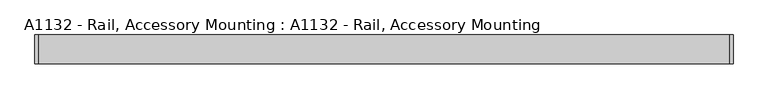
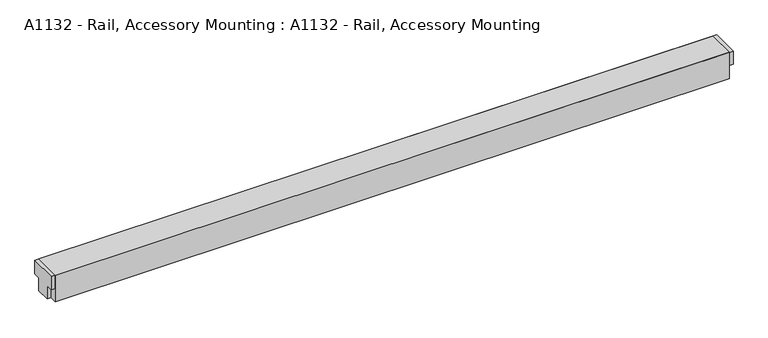
"""IFC4 building model written with IfcOpenShell, lengths in millimetres: proxy geometry, A1132 - Rail, Accessory Mounting : A1132 - Rail, Accessory Mounting."""

from ifc_helpers import new_model, si_unit, frame, origin, origin_with_axes, place, context, project, spatial, polyline, outline, extrude, source, transform, mapped, element, save


def a1132_rail_accessory_mounting_a1132_rail_accessory_mounting_025a1025(model_context):
    return source(origin(), model_context, "Body", "SweptSolid", [
        extrude(outline(polyline([(609.6, -50.8), (-609.6, -50.8), (-609.6, 0.0), (609.6, 0.0), (609.6, -50.8)])), origin_with_axes(), (0.0, 0.0, 1.0), 50.8),
        extrude(outline(polyline([(-12.7, 25.4), (-12.7, 0.0), (-38.1, 0.0), (-38.1, 25.4), (-50.8, 25.4), (-50.8, 50.8), (0.0, 50.8), (0.0, 25.4), (-12.7, 25.4)])), frame((-616.660134, 0.0, 0.0), z_axis=(1.0, 0.0, 0.0), x_axis=(0.0, 1.0, 0.0)), (0.0, 0.0, 1.0), 1233.320268),
    ])


if __name__ == "__main__":
    model = new_model("IFC4")
    model_context = context("Model", 3, world=origin())
    ifc_project = project(units=[si_unit("LENGTHUNIT", "METRE", prefix="MILLI")], contexts=[model_context])
    site = spatial("IfcSite", under=ifc_project)
    building = spatial("IfcBuilding", under=site)
    placement = place(None, origin())
    a1132_rail_accessory_mounting_a1132_rail_accessory_mounting_shape = a1132_rail_accessory_mounting_a1132_rail_accessory_mounting_025a1025(model_context)
    element("IfcBuildingElementProxy", 1, Name="A1132 - Rail, Accessory Mounting : A1132 - Rail, Accessory Mounting", ObjectType="A1132 - Rail, Accessory Mounting : A1132 - Rail, Accessory Mounting", at=placement, inside=building, context=model_context, shape_type="MappedRepresentation", body=[
        mapped(a1132_rail_accessory_mounting_a1132_rail_accessory_mounting_shape, transform((0.0, 0.0, 0.0), x_axis=(1.0, 0.0, 0.0), y_axis=(0.0, 1.0, 0.0), z_axis=(0.0, 0.0, 1.0))),
    ])
    save(model, "model.ifc")
